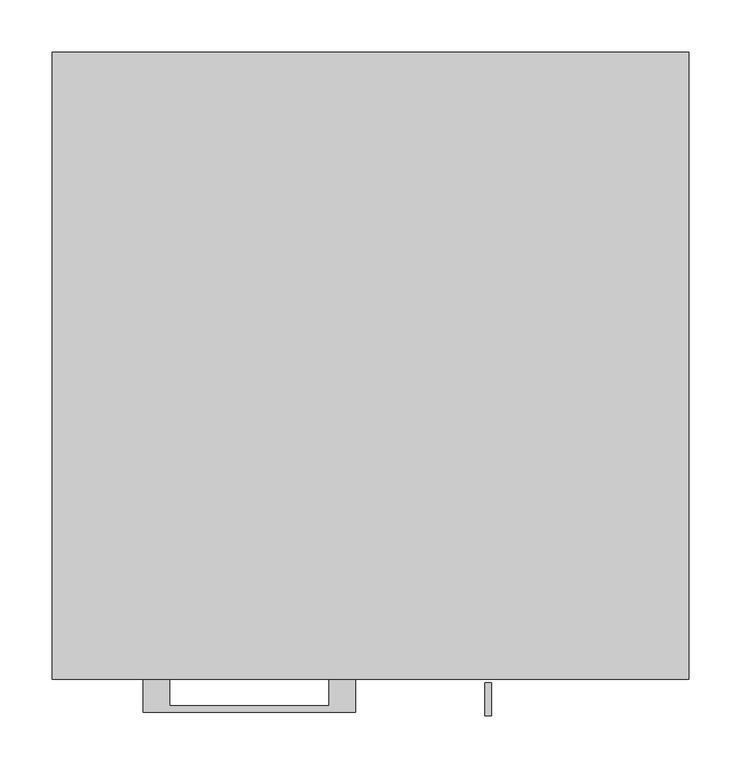
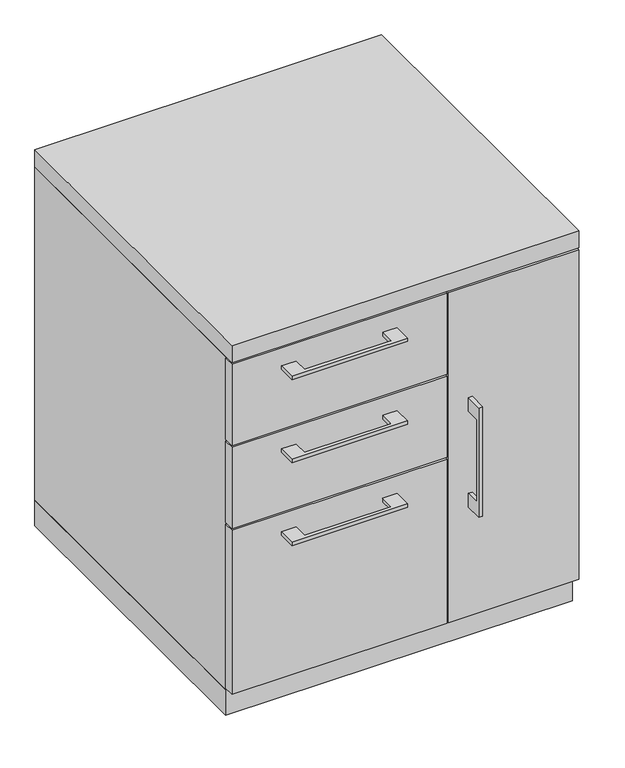
"""IFC4 building model written with IfcOpenShell, lengths in millimetres: furniture geometry."""

import ifcopenshell
import ifcopenshell.guid

model = None  # the IFC model being written
_history = None  # IfcOwnerHistory: only IFC2X3 demands one
_inside = {}  # id of a spatial element -> (the spatial element, [elements in it])
_under = {}  # id of a project, library or spatial element -> (it, [spatial elements below it])
_declared = {}  # id of a project -> (the project, [libraries it declares])
_typed = {}  # id of a type object -> (the type object, [elements of that type])
_made_of = {}  # id of a material, layer set ... -> (it, [elements and type objects made of it])


def new_model(schema):
    """Start an empty IFC model of exactly this schema.

    Asked for "IFC4X3", IfcOpenShell would pick the latest addendum, in which some entities
    have other attributes; the version numbers below select the first issue.
    IFC2X3 requires an IfcOwnerHistory on every rooted entity: one is made here for all.
    """
    global model, _history
    if schema == "IFC4X3":
        model = ifcopenshell.file(schema_version=(4, 3, 0, 0))
    else:
        model = ifcopenshell.file(schema=schema)
    _inside.clear()
    _under.clear()
    _declared.clear()
    _typed.clear()
    _made_of.clear()
    _history = None
    if model.schema == "IFC2X3":
        org = make("IfcOrganization", Name="unknown")
        user = make(
            "IfcPersonAndOrganization",
            ThePerson=make("IfcPerson", FamilyName="unknown"),
            TheOrganization=org,
        )
        app = make(
            "IfcApplication",
            ApplicationDeveloper=org,
            Version="unknown",
            ApplicationFullName="unknown",
            ApplicationIdentifier="unknown",
        )
        _history = make(
            "IfcOwnerHistory",
            OwningUser=user,
            OwningApplication=app,
            ChangeAction="ADDED",
            CreationDate=0,
        )
    return model


def make(cls, **values):
    """One entity of the class cls with the attributes given. An attribute that is None is left unset."""
    return model.create_entity(
        cls, **{name: value for name, value in values.items() if value is not None}
    )


def rooted(cls, **values):
    """An entity with a GlobalId (a new one), such as an element, a storey or a relation."""
    return make(cls, GlobalId=ifcopenshell.guid.new(), OwnerHistory=_history, **values)


def si_unit(unit_type, name, prefix=None):
    """IfcSIUnit, for example si_unit("LENGTHUNIT", "METRE", prefix="MILLI")."""
    return make("IfcSIUnit", UnitType=unit_type, Prefix=prefix, Name=name)


def assignment(units):
    """IfcUnitAssignment: the units of a project."""
    return None if units is None else make("IfcUnitAssignment", Units=units)


def point(xyz):
    """IfcCartesianPoint."""
    return None if xyz is None else make("IfcCartesianPoint", Coordinates=xyz)


def direction(xyz):
    """IfcDirection."""
    return None if xyz is None else make("IfcDirection", DirectionRatios=xyz)


def frame(location, z_axis=None, x_axis=None):
    """IfcAxis2Placement3D, a coordinate frame: its origin and axes. An axis left out is left unset."""
    return make(
        "IfcAxis2Placement3D",
        Location=point(location),
        Axis=direction(z_axis),
        RefDirection=direction(x_axis),
    )


def origin():
    """The frame at (0, 0, 0) with its axes left unset."""
    return frame((0.0, 0.0, 0.0))


def origin_with_axes():
    """The frame at (0, 0, 0) with the z axis (0, 0, 1) and the x axis (1, 0, 0) written out."""
    return frame((0.0, 0.0, 0.0), z_axis=(0.0, 0.0, 1.0), x_axis=(1.0, 0.0, 0.0))


def place(relative_to, where):
    """IfcLocalPlacement: puts the frame where relative to a parent placement (None: the world)."""
    return make(
        "IfcLocalPlacement", PlacementRelTo=relative_to, RelativePlacement=where
    )


def context(
    kind, dimensions, precision=None, world=None, true_north=None, identifier=None
):
    """IfcGeometricRepresentationContext, for example the 3D "Model" context."""
    return make(
        "IfcGeometricRepresentationContext",
        ContextIdentifier=identifier,
        ContextType=kind,
        CoordinateSpaceDimension=dimensions,
        Precision=precision,
        WorldCoordinateSystem=world,
        TrueNorth=true_north,
    )


def project(units=None, contexts=None):
    """IfcProject with its units and contexts."""
    return rooted(
        "IfcProject",
        Name="project",
        RepresentationContexts=contexts,
        UnitsInContext=assignment(units),
    )


def spatial(cls, under=None, at=None, **own):
    """A site, building, storey or space (cls), placed at a placement, below another one or the project."""
    s = rooted(cls, ObjectPlacement=at, **own)
    if under is not None:
        _under.setdefault(under.id(), (under, []))[1].append(s)
    return s


def polyline(points):
    """IfcPolyline through the points."""
    return make("IfcPolyline", Points=[point(p) for p in points])


def outline(outer, holes=None, kind="AREA"):
    """IfcArbitraryClosedProfileDef: a profile drawn as a closed curve; with holes, ...WithVoids."""
    if holes is None:
        return make("IfcArbitraryClosedProfileDef", ProfileType=kind, OuterCurve=outer)
    return make(
        "IfcArbitraryProfileDefWithVoids",
        ProfileType=kind,
        OuterCurve=outer,
        InnerCurves=holes,
    )


def extrude(swept, where, along, depth):
    """IfcExtrudedAreaSolid: the profile swept, set in the frame where, extruded along a direction by depth."""
    return make(
        "IfcExtrudedAreaSolid",
        SweptArea=swept,
        Position=where,
        ExtrudedDirection=direction(along),
        Depth=depth,
    )


def shape(context_of_items, identifier, shape_type, items):
    """IfcShapeRepresentation: the items that make up one representation, for example the "Body"."""
    return make(
        "IfcShapeRepresentation",
        ContextOfItems=context_of_items,
        RepresentationIdentifier=identifier,
        RepresentationType=shape_type,
        Items=items,
    )


def source(mapping_origin, context_of_items, identifier, shape_type, items):
    """IfcRepresentationMap: a shape defined once, which mapped items show again and again."""
    return make(
        "IfcRepresentationMap",
        MappingOrigin=mapping_origin,
        MappedRepresentation=shape(context_of_items, identifier, shape_type, items),
    )


def transform(
    local_origin,
    x_axis=None,
    y_axis=None,
    z_axis=None,
    scale=None,
    scale2=None,
    scale3=None,
    uniform=True,
):
    """IfcCartesianTransformationOperator3D, or its non-uniform kind. x_axis, y_axis, z_axis: its Axis1, 2, 3."""
    if uniform:
        return make(
            "IfcCartesianTransformationOperator3D",
            Axis1=direction(x_axis),
            Axis2=direction(y_axis),
            LocalOrigin=point(local_origin),
            Scale=scale,
            Axis3=direction(z_axis),
        )
    return make(
        "IfcCartesianTransformationOperator3DnonUniform",
        Axis1=direction(x_axis),
        Axis2=direction(y_axis),
        LocalOrigin=point(local_origin),
        Scale=scale,
        Axis3=direction(z_axis),
        Scale2=scale2,
        Scale3=scale3,
    )


def mapped(mapping_source, mapping_target):
    """IfcMappedItem: shows the shape of a source again, moved by a transform."""
    return make(
        "IfcMappedItem", MappingSource=mapping_source, MappingTarget=mapping_target
    )


def made_of(thing, what):
    """Note that an element or type object is made of a material, layer set ...; save() writes the relation."""
    if what is not None:
        _made_of.setdefault(what.id(), (what, []))[1].append(thing)
    return thing


def element(
    cls,
    number,
    at=None,
    inside=None,
    cuts=None,
    type_object=None,
    material=None,
    context=None,
    identifier="Body",
    shape_type=None,
    held_by="IfcProductDefinitionShape",
    body=None,
    shapes=None,
    **own,
):
    """One element of the class cls, such as IfcWall. Its Tag is "e" and its number.

    at: its placement. inside: the storey or other place that contains it. cuts: it is an
    opening in that element (IfcRelVoidsElement). A single representation is given by context,
    identifier, shape_type and body (its items); several are given by shapes. held_by: the class
    of the entity that holds the representations. save() writes the other relations.
    """
    e = rooted(cls, Tag="e%d" % number, ObjectPlacement=at, **own)
    if body is not None:
        shapes = [shape(context, identifier, shape_type, body)]
    if shapes is not None:
        e.Representation = make(held_by, Representations=shapes)
    if inside is not None:
        _inside.setdefault(inside.id(), (inside, []))[1].append(e)
    if cuts is not None:
        rooted(
            "IfcRelVoidsElement", RelatingBuildingElement=cuts, RelatedOpeningElement=e
        )
    if type_object is not None:
        _typed.setdefault(type_object.id(), (type_object, []))[1].append(e)
    return made_of(e, material)


def aggregate(whole, parts):
    """IfcRelAggregates: a whole, such as a stair, and the parts it consists of."""
    return rooted("IfcRelAggregates", RelatingObject=whole, RelatedObjects=parts)


def save(model, path):
    """Write the relations noted so far, then the file.

    IfcRelAggregates (storeys below a building ...), IfcRelContainedInSpatialStructure (elements
    in a storey), IfcRelDefinesByType, IfcRelAssociatesMaterial and IfcRelDeclares: one each for
    every whole, place, type object, material and project.
    """
    for whole, parts in _under.values():
        aggregate(whole, parts)
    for where, things in _inside.values():
        rooted(
            "IfcRelContainedInSpatialStructure",
            RelatedElements=things,
            RelatingStructure=where,
        )
    for kind, things in _typed.values():
        rooted("IfcRelDefinesByType", RelatedObjects=things, RelatingType=kind)
    for what, things in _made_of.values():
        rooted("IfcRelAssociatesMaterial", RelatedObjects=things, RelatingMaterial=what)
    for by, libraries in _declared.values():
        rooted("IfcRelDeclares", RelatingContext=by, RelatedDefinitions=libraries)
    model.write(path)


def furniture_2d34fed5(model_context):
    return source(origin(), model_context, "Body", "SweptSolid", [
        extrude(outline(polyline([(-192.0874818, -600.075), (-192.0874818, -625.4749758), (-39.6875, -625.4749758), (-39.6875, -600.075), (-14.2875061, -600.075), (-14.2875061, -631.8249879), (-217.4874939, -631.8249879), (-217.4874939, -600.075), (-192.0874818, -600.075)])), frame((0.0, 0.0, 623.8875506), z_axis=(0.0, 0.0, 1.0), x_axis=(1.0, 0.0, 0.0)), (0.0, 0.0, 1.0), 6.3499758),
        extrude(outline(polyline([(73.025, -581.025), (73.025, -600.075), (-304.8, -600.075), (-304.8, -581.025), (73.025, -581.025)])), frame((0.0, 0.0, 512.7625), z_axis=(0.0, 0.0, 1.0), x_axis=(1.0, 0.0, 0.0)), (0.0, 0.0, 1.0), 150.8125),
        extrude(outline(polyline([(-192.0874818, -600.075), (-192.0874818, -625.4749758), (-39.6875, -625.4749758), (-39.6875, -600.075), (-14.2875061, -600.075), (-14.2875061, -631.8249879), (-217.4874939, -631.8249879), (-217.4874939, -600.075), (-192.0874818, -600.075)])), frame((0.0, 0.0, 469.9000506), z_axis=(0.0, 0.0, 1.0), x_axis=(1.0, 0.0, 0.0)), (0.0, 0.0, 1.0), 6.3499758),
        extrude(outline(polyline([(73.025, -581.025), (73.025, -600.075), (-304.8, -600.075), (-304.8, -581.025), (73.025, -581.025)])), frame((0.0, 0.0, 358.775), z_axis=(0.0, 0.0, 1.0), x_axis=(1.0, 0.0, 0.0)), (0.0, 0.0, 1.0), 150.8125),
        extrude(outline(polyline([(-603.25, 433.3875), (-628.6499758, 433.3875), (-628.6499758, 280.9875), (-603.25, 280.9875), (-603.25, 255.5875), (-634.9999879, 255.5875), (-634.9999879, 458.7875), (-603.25, 458.7875), (-603.25, 433.3875)])), frame((109.5375121, 0.0, 0.0), z_axis=(1.0, 0.0, 0.0), x_axis=(0.0, 1.0, 0.0)), (0.0, 0.0, 1.0), 6.3499758),
        extrude(outline(polyline([(304.8, -600.075), (76.2, -600.075), (76.2, -581.025), (304.8, -581.025), (304.8, -600.075)])), frame((0.0, 0.0, 50.8), z_axis=(0.0, 0.0, 1.0), x_axis=(1.0, 0.0, 0.0)), (0.0, 0.0, 1.0), 612.775),
        extrude(outline(polyline([(-192.0874818, -600.075), (-192.0874818, -625.4749758), (-39.6875, -625.4749758), (-39.6875, -600.075), (-14.2875061, -600.075), (-14.2875061, -631.8249879), (-217.4874939, -631.8249879), (-217.4874939, -600.075), (-192.0874818, -600.075)])), frame((0.0, 0.0, 315.9125506), z_axis=(0.0, 0.0, 1.0), x_axis=(1.0, 0.0, 0.0)), (0.0, 0.0, 1.0), 6.3499758),
        extrude(outline(polyline([(73.025, -581.025), (73.025, -600.075), (-304.8, -600.075), (-304.8, -581.025), (73.025, -581.025)])), frame((0.0, 0.0, 50.8), z_axis=(0.0, 0.0, 1.0), x_axis=(1.0, 0.0, 0.0)), (0.0, 0.0, 1.0), 304.8),
        extrude(outline(polyline([(304.8, 0.0), (304.8, -581.025), (-304.8, -581.025), (-304.8, 0.0), (304.8, 0.0)])), origin_with_axes(), (0.0, 0.0, 1.0), 47.625),
        extrude(outline(polyline([(304.8, 0.0), (304.8, -600.075), (-304.8, -600.075), (-304.8, 0.0), (304.8, 0.0)])), frame((0.0, 0.0, 666.75), z_axis=(0.0, 0.0, 1.0), x_axis=(1.0, 0.0, 0.0)), (0.0, 0.0, 1.0), 31.75),
        extrude(outline(polyline([(304.8, 0.0), (304.8, -581.025), (-304.8, -581.025), (-304.8, 0.0), (304.8, 0.0)])), frame((0.0, 0.0, 47.625), z_axis=(0.0, 0.0, 1.0), x_axis=(1.0, 0.0, 0.0)), (0.0, 0.0, 1.0), 619.125),
    ])


if __name__ == "__main__":
    model = new_model("IFC4")
    model_context = context("Model", 3, world=origin())
    ifc_project = project(units=[si_unit("LENGTHUNIT", "METRE", prefix="MILLI")], contexts=[model_context])
    site = spatial("IfcSite", under=ifc_project)
    building = spatial("IfcBuilding", under=site)
    placement = place(None, origin())
    furniture_shape = furniture_2d34fed5(model_context)
    element("IfcFurniture", 1, at=placement, inside=building, context=model_context, shape_type="MappedRepresentation", body=[
        mapped(furniture_shape, transform((0.0, 0.0, 0.0), x_axis=(1.0, 0.0, 0.0), y_axis=(0.0, 1.0, 0.0), z_axis=(0.0, 0.0, 1.0))),
    ])
    save(model, "model.ifc")
